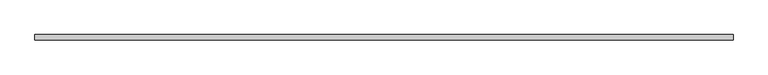
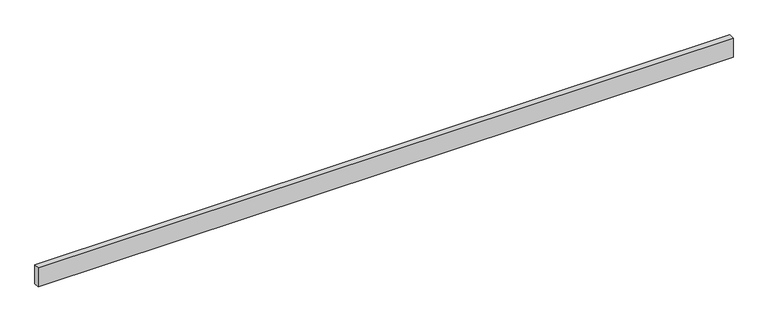
"""IFC4 building model written with IfcOpenShell, lengths in millimetres: beam geometry."""

from ifc_helpers import new_model, si_unit, frame, origin, place, context, project, spatial, polyline, outline, extrude, source, transform, mapped, element, save


def beam_732ba792(model_context):
    return source(origin(), model_context, "Body", "SweptSolid", [
        extrude(outline(polyline([(2384.425, -19.05), (-2384.425, -19.05), (-2384.425, 19.05), (2384.425, 19.05), (2384.425, -19.05)])), frame((0.0, 0.0, -69.85), z_axis=(0.0, 0.0, 1.0), x_axis=(1.0, 0.0, 0.0)), (0.0, 0.0, 1.0), 139.7),
    ])


if __name__ == "__main__":
    model = new_model("IFC4")
    model_context = context("Model", 3, world=origin())
    ifc_project = project(units=[si_unit("LENGTHUNIT", "METRE", prefix="MILLI")], contexts=[model_context])
    site = spatial("IfcSite", under=ifc_project)
    building = spatial("IfcBuilding", under=site)
    placement = place(None, origin())
    beam_shape = beam_732ba792(model_context)
    element("IfcBeam", 1, at=placement, inside=building, context=model_context, shape_type="MappedRepresentation", body=[
        mapped(beam_shape, transform((0.0, 0.0, 0.0), x_axis=(1.0, 0.0, 0.0), y_axis=(0.0, 1.0, 0.0), z_axis=(0.0, 0.0, 1.0))),
    ])
    save(model, "model.ifc")
